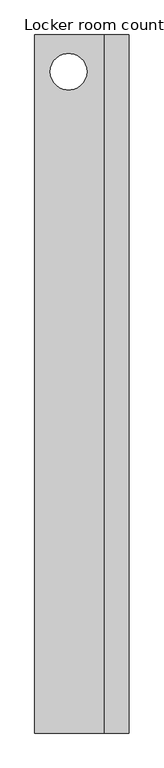
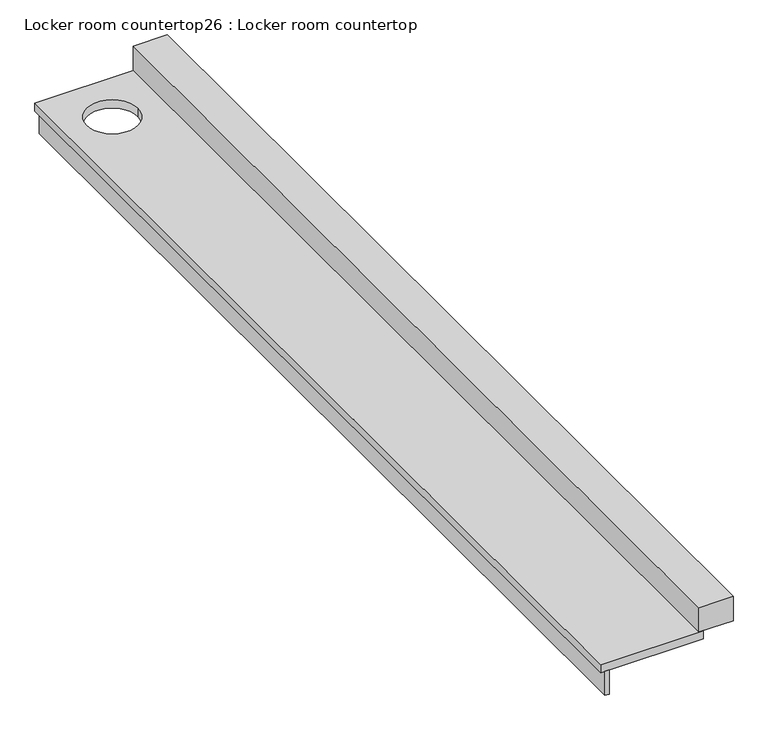
"""IFC4 building model written with IfcOpenShell, lengths in millimetres: furniture geometry, Locker room countertop26 : Locker room countertop."""

from ifc_helpers import new_model, si_unit, point, frame, frame_2d, origin, place, context, project, spatial, polyline, circle_curve, trimmed, segment, composite_curve, outline, extrude, source, transform, mapped, element, save


def locker_room_countertop26_locker_room_countertop_409b911f(model_context):
    return source(origin(), model_context, "Body", "SweptSolid", [
        extrude(outline(polyline([(454121.6254676, -263782.9830223), (454121.6254676, -257960.0330223), (454147.0254676, -257960.0330223), (454147.0254676, -263782.9830223), (454121.6254676, -263782.9830223)])), frame((0.0, 0.0, 660.4), z_axis=(0.0, 0.0, 1.0), x_axis=(1.0, 0.0, 0.0)), (0.0, 0.0, 1.0), 152.4),
        extrude(outline(polyline([(454680.4254676, -257960.0330223), (454883.6254676, -257960.0330223), (454883.6254676, -263782.9830223), (454680.4254676, -263782.9830223), (454680.4254676, -257960.0330223)])), frame((0.0, 0.0, 863.6), z_axis=(0.0, 0.0, 1.0), x_axis=(1.0, 0.0, 0.0)), (0.0, 0.0, 1.0), 152.4),
        extrude(outline(polyline([(454096.2254676, -257960.0330223), (454705.8254676, -257960.0330223), (454705.8254676, -263782.9830223), (454096.2254676, -263782.9830223), (454096.2254676, -257960.0330223)]), holes=[composite_curve([segment(trimmed(circle_curve(frame_2d((454378.4142157, -258266.949689)), 152.4), [point((454530.8142157, -258266.949689))], [point((454226.0142157, -258266.949689))], True, "CARTESIAN"), True, "CONTINUOUS"), segment(trimmed(circle_curve(frame_2d((454378.4142157, -258266.949689)), 152.4), [point((454226.0142157, -258266.949689))], [point((454530.8142157, -258266.949689))], True, "CARTESIAN"), True, "CONTINUOUS")], self_intersect=False)]), frame((0.0, 0.0, 812.8), z_axis=(0.0, 0.0, 1.0), x_axis=(1.0, 0.0, 0.0)), (0.0, 0.0, 1.0), 50.8),
    ])


if __name__ == "__main__":
    model = new_model("IFC4")
    model_context = context("Model", 3, world=origin())
    ifc_project = project(units=[si_unit("LENGTHUNIT", "METRE", prefix="MILLI")], contexts=[model_context])
    site = spatial("IfcSite", under=ifc_project)
    building = spatial("IfcBuilding", under=site)
    placement = place(None, origin())
    locker_room_countertop26_locker_room_countertop_shape = locker_room_countertop26_locker_room_countertop_409b911f(model_context)
    element("IfcFurniture", 1, ObjectType="Locker room countertop26 : Locker room countertop", at=placement, inside=building, context=model_context, shape_type="MappedRepresentation", body=[
        mapped(locker_room_countertop26_locker_room_countertop_shape, transform((0.0, 0.0, 0.0), x_axis=(1.0, 0.0, 0.0), y_axis=(0.0, 1.0, 0.0), z_axis=(0.0, 0.0, 1.0))),
    ])
    save(model, "model.ifc")
